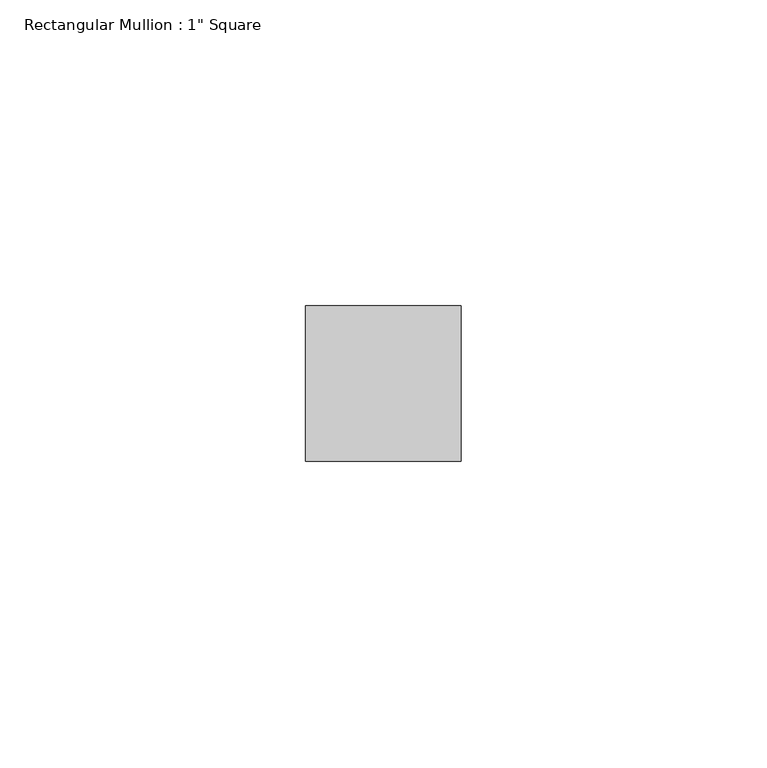
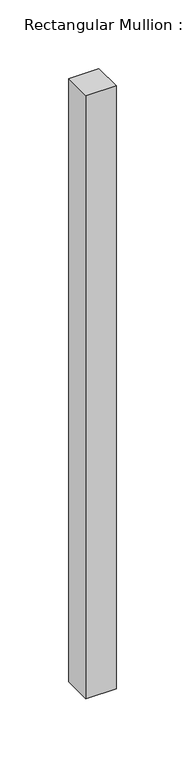
"""IFC4 building model written with IfcOpenShell, lengths in millimetres: member geometry."""

from ifc_helpers import new_model, si_unit, frame, origin, place, context, project, spatial, polyline, outline, extrude, source, transform, mapped, element, save


def member_1818dcd1(model_context):
    return source(origin(), model_context, "Body", "SweptSolid", [
        extrude(outline(polyline([(12.7, 12.7), (12.7, -12.7), (-12.7, -12.7), (-12.7, 12.7), (12.7, 12.7)])), frame((0.0, 0.0, -537.6116607), z_axis=(0.0, 0.0, 1.0), x_axis=(1.0, 0.0, 0.0)), (0.0, 0.0, 1.0), 537.6116607),
    ])


if __name__ == "__main__":
    model = new_model("IFC4")
    model_context = context("Model", 3, world=origin())
    ifc_project = project(units=[si_unit("LENGTHUNIT", "METRE", prefix="MILLI")], contexts=[model_context])
    site = spatial("IfcSite", under=ifc_project)
    building = spatial("IfcBuilding", under=site)
    placement = place(None, origin())
    member_shape = member_1818dcd1(model_context)
    element("IfcMember", 1, ObjectType="Rectangular Mullion : 1\" Square", at=placement, inside=building, context=model_context, shape_type="MappedRepresentation", body=[
        mapped(member_shape, transform((0.0, 0.0, 0.0), x_axis=(1.0, 0.0, 0.0), y_axis=(0.0, 1.0, 0.0), z_axis=(0.0, 0.0, 1.0))),
    ])
    save(model, "model.ifc")
